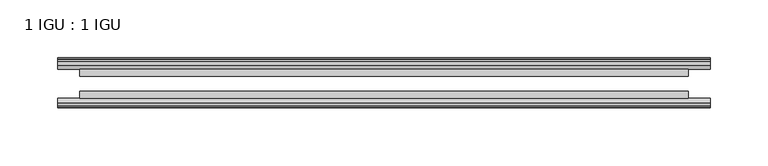
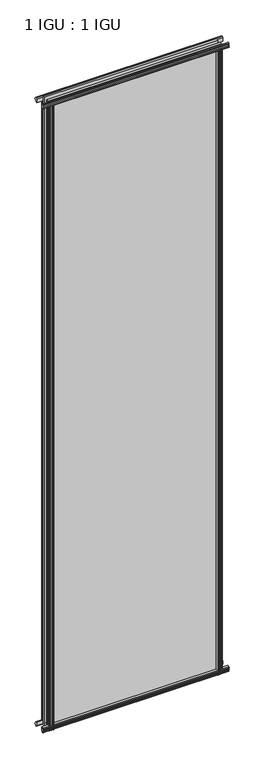
"""IFC4 building model written with IfcOpenShell, lengths in millimetres: plate geometry, 1 IGU : 1 IGU."""

from ifc_helpers import new_model, si_unit, point, frame, frame_2d, origin, place, context, project, spatial, polyline, circle_curve, trimmed, segment, composite_curve, outline, extrude, source, transform, mapped, element, save


def plate_1_igu_1_igu_64b7b80d(model_context):
    return source(origin(), model_context, "Body", "SweptSolid", [
        extrude(outline(composite_curve([segment(polyline([(-46.2359545, 2001.8775265), (-46.2359545, 1990.8553092), (-53.3197108, 1992.2226185)]), True, "CONTINUOUS"), segment(trimmed(circle_curve(frame_2d((-53.1447545, 1993.2234413)), 1.016), [point((-53.3197108, 1992.2226185))], [point((-53.8888005, 1993.9152878))], False, "CARTESIAN"), True, "CONTINUOUS"), segment(polyline([(-53.8888005, 1993.9152878), (-52.5859205, 1993.7314413), (-52.5859205, 1999.1416413), (-54.0652165, 1999.4024811), (-52.5859205, 2001.9864413), (-52.5859205, 2005.1614413)]), True, "CONTINUOUS"), segment(trimmed(circle_curve(frame_2d((-51.3159205, 2005.1614413)), 1.27), [point((-52.5859205, 2005.1614413))], [point((-50.4178949, 2006.059467))], False, "CARTESIAN"), True, "CONTINUOUS"), segment(polyline([(-50.4178949, 2006.059467), (-46.2359545, 2001.8775265)]), True, "CONTINUOUS")], self_intersect=False)), frame((-282.5754022, 0.0, 0.0), z_axis=(1.0, 0.0, 0.0), x_axis=(0.0, 1.0, 0.0)), (0.0, 0.0, 1.0), 565.1508044),
        extrude(outline(polyline([(-17.4323375, 2006.3139519), (-14.4859375, 2006.3139519), (-14.4859375, 2001.8689519), (-12.1057405, 2001.4879519), (-12.5656738, 2002.903481), (-11.7644596, 2002.903481), (-11.0569375, 2000.7259519), (-11.7644596, 1998.5484229), (-12.5656738, 1998.5484229), (-12.1057405, 1999.9639519), (-14.4859375, 1999.5829519), (-14.4859375, 1994.3759519), (-20.8359545, 1992.6582293), (-20.8359545, 2003.4795957), (-17.4323375, 2006.3139519)])), frame((-282.5754022, 0.0, 0.0), z_axis=(1.0, 0.0, 0.0), x_axis=(0.0, 1.0, 0.0)), (0.0, 0.0, 1.0), 565.1508044),
        extrude(outline(polyline([(-20.8359545, 1.2049602), (-14.4859375, -0.5127625), (-14.4859375, -5.7197625), (-12.1057405, -6.1007625), (-12.5656738, -4.6852334), (-11.7644596, -4.6852334), (-11.0569375, -6.8627625), (-11.7644596, -9.0402916), (-12.5656738, -9.0402916), (-12.1057405, -7.6247625), (-14.4859375, -8.0057625), (-14.4859375, -12.4507625), (-17.4323375, -12.4507625), (-20.8359545, -9.6164062), (-20.8359545, 1.2049602)])), frame((-282.5754022, 0.0, 0.0), z_axis=(1.0, 0.0, 0.0), x_axis=(0.0, 1.0, 0.0)), (0.0, 0.0, 1.0), 565.1508044),
        extrude(outline(composite_curve([segment(polyline([(-53.3197108, 1.6405709), (-46.2359545, 3.0078803), (-46.2359545, -8.014337), (-50.4178949, -12.1962775)]), True, "CONTINUOUS"), segment(trimmed(circle_curve(frame_2d((-51.3159205, -11.2982519)), 1.27), [point((-50.4178949, -12.1962775))], [point((-52.5859205, -11.2982519))], False, "CARTESIAN"), True, "CONTINUOUS"), segment(polyline([(-52.5859205, -11.2982519), (-52.5859205, -8.1232519), (-54.0652165, -5.5392917), (-52.5859205, -5.2784519), (-52.5859205, 0.1317481), (-53.8888005, -0.0520983)]), True, "CONTINUOUS"), segment(trimmed(circle_curve(frame_2d((-53.1447545, 0.6397481)), 1.016), [point((-53.8888005, -0.0520983))], [point((-53.3197108, 1.6405709))], False, "CARTESIAN"), True, "CONTINUOUS")], self_intersect=False)), frame((-282.5754022, 0.0, 0.0), z_axis=(1.0, 0.0, 0.0), x_axis=(0.0, 1.0, 0.0)), (0.0, 0.0, 1.0), 565.1508044),
        extrude(outline(polyline([(-258.4748825, -12.1057405), (-259.8904115, -12.5656738), (-259.8904115, -11.7644596), (-257.7128825, -11.0569375), (-255.5353534, -11.7644596), (-255.5353534, -12.5656738), (-256.9508825, -12.1057405), (-256.5698825, -14.4859375), (-251.3628825, -14.4859375), (-249.6451644, -20.8359375), (-260.4665403, -20.8359375), (-263.3008825, -17.4323375), (-263.3008825, -14.4859375), (-258.8558825, -14.4859375), (-258.4748825, -12.1057405)])), frame((0.0, 0.0, -12.6752823), z_axis=(0.0, 0.0, 1.0), x_axis=(1.0, 0.0, 0.0)), (0.0, 0.0, 1.0), 2006.5384717),
        extrude(outline(composite_curve([segment(polyline([(-258.86444, -46.2359375), (-247.8422364, -46.2359375), (-249.2095491, -53.3197108)]), True, "CONTINUOUS"), segment(trimmed(circle_curve(frame_2d((-250.2103719, -53.1447545)), 1.016), [point((-249.2095491, -53.3197108))], [point((-250.9022183, -53.8888005))], False, "CARTESIAN"), True, "CONTINUOUS"), segment(polyline([(-250.9022183, -53.8888005), (-250.7183719, -52.5859205), (-256.1285719, -52.5859205), (-256.3894117, -54.0652165), (-258.9733719, -52.5859205), (-262.1483719, -52.5859205)]), True, "CONTINUOUS"), segment(trimmed(circle_curve(frame_2d((-262.1483719, -51.3159205)), 1.27), [point((-262.1483719, -52.5859205))], [point((-263.0463975, -50.4178949))], False, "CARTESIAN"), True, "CONTINUOUS"), segment(polyline([(-263.0463975, -50.4178949), (-258.86444, -46.2359375)]), True, "CONTINUOUS")], self_intersect=False)), frame((0.0, 0.0, -12.6752823), z_axis=(0.0, 0.0, 1.0), x_axis=(1.0, 0.0, 0.0)), (0.0, 0.0, 1.0), 2006.5384717),
        extrude(outline(composite_curve([segment(polyline([(249.2095491, -53.3197108), (247.8422364, -46.2359375), (258.86444, -46.2359375), (263.0463975, -50.4178949)]), True, "CONTINUOUS"), segment(trimmed(circle_curve(frame_2d((262.1483719, -51.3159205)), 1.27), [point((263.0463975, -50.4178949))], [point((262.1483719, -52.5859205))], False, "CARTESIAN"), True, "CONTINUOUS"), segment(polyline([(262.1483719, -52.5859205), (258.9733719, -52.5859205), (256.3894117, -54.0652165), (256.1285719, -52.5859205), (250.7183719, -52.5859205), (250.9413353, -53.8504091)]), True, "CONTINUOUS"), segment(trimmed(circle_curve(frame_2d((250.2103719, -53.1447545)), 1.016), [point((250.9413353, -53.8504091))], [point((249.2095491, -53.3197108))], False, "CARTESIAN"), True, "CONTINUOUS")], self_intersect=False)), frame((0.0, 0.0, -12.6752823), z_axis=(0.0, 0.0, 1.0), x_axis=(1.0, 0.0, 0.0)), (0.0, 0.0, 1.0), 2006.5384717),
        extrude(outline(polyline([(255.5353534, -11.7644596), (257.7128825, -11.0569375), (259.8904115, -11.7644596), (259.8904115, -12.5656738), (258.4748825, -12.1057405), (258.8558825, -14.4859375), (263.3008825, -14.4859375), (263.3008825, -17.4323375), (260.4665403, -20.8359375), (249.6451644, -20.8359375), (251.3628825, -14.4859375), (256.5698825, -14.4859375), (256.9508825, -12.1057405), (255.5353534, -12.5656738), (255.5353534, -11.7644596)])), frame((0.0, 0.0, -12.6752823), z_axis=(0.0, 0.0, 1.0), x_axis=(1.0, 0.0, 0.0)), (0.0, 0.0, 1.0), 2006.5384717),
        extrude(outline(polyline([(263.5254022, -20.8359375), (263.5254022, -27.1859375), (-263.5254022, -27.1859375), (-263.5254022, -20.8359375), (263.5254022, -20.8359375)])), frame((0.0, 0.0, -12.6752823), z_axis=(0.0, 0.0, 1.0), x_axis=(1.0, 0.0, 0.0)), (0.0, 0.0, 1.0), 2019.213754),
        extrude(outline(polyline([(-263.5254022, -46.2359375), (-263.5254022, -39.8859375), (263.5254022, -39.8859375), (263.5254022, -46.2359375), (-263.5254022, -46.2359375)])), frame((0.0, 0.0, -12.6752823), z_axis=(0.0, 0.0, 1.0), x_axis=(1.0, 0.0, 0.0)), (0.0, 0.0, 1.0), 2019.213754),
    ])


if __name__ == "__main__":
    model = new_model("IFC4")
    model_context = context("Model", 3, world=origin())
    ifc_project = project(units=[si_unit("LENGTHUNIT", "METRE", prefix="MILLI")], contexts=[model_context])
    site = spatial("IfcSite", under=ifc_project)
    building = spatial("IfcBuilding", under=site)
    placement = place(None, origin())
    plate_1_igu_1_igu_shape = plate_1_igu_1_igu_64b7b80d(model_context)
    element("IfcPlate", 1, ObjectType="1 IGU : 1 IGU", at=placement, inside=building, context=model_context, shape_type="MappedRepresentation", body=[
        mapped(plate_1_igu_1_igu_shape, transform((0.0, 0.0, 0.0), x_axis=(1.0, 0.0, 0.0), y_axis=(0.0, 1.0, 0.0), z_axis=(0.0, 0.0, 1.0))),
    ])
    save(model, "model.ifc")
